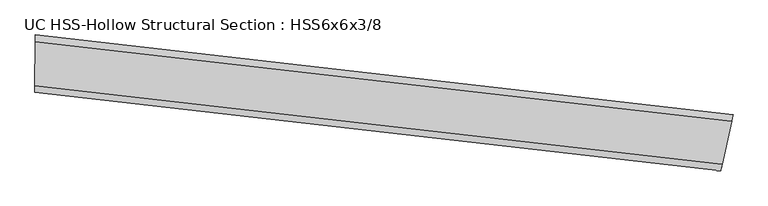
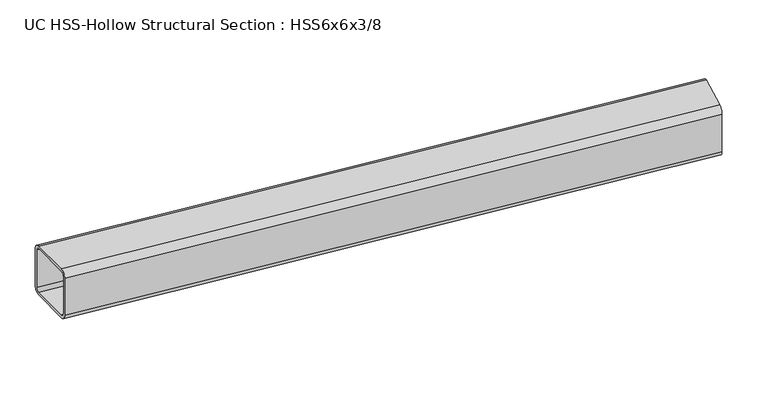
"""IFC4 building model written with IfcOpenShell, lengths in millimetres: beam geometry, UC HSS-Hollow Structural Section : HSS6x6x3/8."""

import ifcopenshell
import ifcopenshell.guid

model = None  # the IFC model being written
_history = None  # IfcOwnerHistory: only IFC2X3 demands one
_inside = {}  # id of a spatial element -> (the spatial element, [elements in it])
_under = {}  # id of a project, library or spatial element -> (it, [spatial elements below it])
_declared = {}  # id of a project -> (the project, [libraries it declares])
_typed = {}  # id of a type object -> (the type object, [elements of that type])
_made_of = {}  # id of a material, layer set ... -> (it, [elements and type objects made of it])


def new_model(schema):
    """Start an empty IFC model of exactly this schema.

    Asked for "IFC4X3", IfcOpenShell would pick the latest addendum, in which some entities
    have other attributes; the version numbers below select the first issue.
    IFC2X3 requires an IfcOwnerHistory on every rooted entity: one is made here for all.
    """
    global model, _history
    if schema == "IFC4X3":
        model = ifcopenshell.file(schema_version=(4, 3, 0, 0))
    else:
        model = ifcopenshell.file(schema=schema)
    _inside.clear()
    _under.clear()
    _declared.clear()
    _typed.clear()
    _made_of.clear()
    _history = None
    if model.schema == "IFC2X3":
        org = make("IfcOrganization", Name="unknown")
        user = make(
            "IfcPersonAndOrganization",
            ThePerson=make("IfcPerson", FamilyName="unknown"),
            TheOrganization=org,
        )
        app = make(
            "IfcApplication",
            ApplicationDeveloper=org,
            Version="unknown",
            ApplicationFullName="unknown",
            ApplicationIdentifier="unknown",
        )
        _history = make(
            "IfcOwnerHistory",
            OwningUser=user,
            OwningApplication=app,
            ChangeAction="ADDED",
            CreationDate=0,
        )
    return model


def make(cls, **values):
    """One entity of the class cls with the attributes given. An attribute that is None is left unset."""
    return model.create_entity(
        cls, **{name: value for name, value in values.items() if value is not None}
    )


def rooted(cls, **values):
    """An entity with a GlobalId (a new one), such as an element, a storey or a relation."""
    return make(cls, GlobalId=ifcopenshell.guid.new(), OwnerHistory=_history, **values)


def si_unit(unit_type, name, prefix=None):
    """IfcSIUnit, for example si_unit("LENGTHUNIT", "METRE", prefix="MILLI")."""
    return make("IfcSIUnit", UnitType=unit_type, Prefix=prefix, Name=name)


def assignment(units):
    """IfcUnitAssignment: the units of a project."""
    return None if units is None else make("IfcUnitAssignment", Units=units)


def point(xyz):
    """IfcCartesianPoint."""
    return None if xyz is None else make("IfcCartesianPoint", Coordinates=xyz)


def direction(xyz):
    """IfcDirection."""
    return None if xyz is None else make("IfcDirection", DirectionRatios=xyz)


def frame(location, z_axis=None, x_axis=None):
    """IfcAxis2Placement3D, a coordinate frame: its origin and axes. An axis left out is left unset."""
    return make(
        "IfcAxis2Placement3D",
        Location=point(location),
        Axis=direction(z_axis),
        RefDirection=direction(x_axis),
    )


def origin():
    """The frame at (0, 0, 0) with its axes left unset."""
    return frame((0.0, 0.0, 0.0))


def place(relative_to, where):
    """IfcLocalPlacement: puts the frame where relative to a parent placement (None: the world)."""
    return make(
        "IfcLocalPlacement", PlacementRelTo=relative_to, RelativePlacement=where
    )


def context(
    kind, dimensions, precision=None, world=None, true_north=None, identifier=None
):
    """IfcGeometricRepresentationContext, for example the 3D "Model" context."""
    return make(
        "IfcGeometricRepresentationContext",
        ContextIdentifier=identifier,
        ContextType=kind,
        CoordinateSpaceDimension=dimensions,
        Precision=precision,
        WorldCoordinateSystem=world,
        TrueNorth=true_north,
    )


def project(units=None, contexts=None):
    """IfcProject with its units and contexts."""
    return rooted(
        "IfcProject",
        Name="project",
        RepresentationContexts=contexts,
        UnitsInContext=assignment(units),
    )


def spatial(cls, under=None, at=None, **own):
    """A site, building, storey or space (cls), placed at a placement, below another one or the project."""
    s = rooted(cls, ObjectPlacement=at, **own)
    if under is not None:
        _under.setdefault(under.id(), (under, []))[1].append(s)
    return s


def polyline(points):
    """IfcPolyline through the points."""
    return make("IfcPolyline", Points=[point(p) for p in points])


def circle_curve(where, radius):
    """IfcCircle in the frame where."""
    return make("IfcCircle", Position=where, Radius=radius)


def ellipse_curve(where, semi_axis1, semi_axis2):
    """IfcEllipse in the frame where."""
    return make(
        "IfcEllipse", Position=where, SemiAxis1=semi_axis1, SemiAxis2=semi_axis2
    )


def trimmed(basis, trim1, trim2, sense, master):
    """IfcTrimmedCurve: the piece of a basis curve between two trims."""
    return make(
        "IfcTrimmedCurve",
        BasisCurve=basis,
        Trim1=trim1,
        Trim2=trim2,
        SenseAgreement=sense,
        MasterRepresentation=master,
    )


def shape(context_of_items, identifier, shape_type, items):
    """IfcShapeRepresentation: the items that make up one representation, for example the "Body"."""
    return make(
        "IfcShapeRepresentation",
        ContextOfItems=context_of_items,
        RepresentationIdentifier=identifier,
        RepresentationType=shape_type,
        Items=items,
    )


def source(mapping_origin, context_of_items, identifier, shape_type, items):
    """IfcRepresentationMap: a shape defined once, which mapped items show again and again."""
    return make(
        "IfcRepresentationMap",
        MappingOrigin=mapping_origin,
        MappedRepresentation=shape(context_of_items, identifier, shape_type, items),
    )


def transform(
    local_origin,
    x_axis=None,
    y_axis=None,
    z_axis=None,
    scale=None,
    scale2=None,
    scale3=None,
    uniform=True,
):
    """IfcCartesianTransformationOperator3D, or its non-uniform kind. x_axis, y_axis, z_axis: its Axis1, 2, 3."""
    if uniform:
        return make(
            "IfcCartesianTransformationOperator3D",
            Axis1=direction(x_axis),
            Axis2=direction(y_axis),
            LocalOrigin=point(local_origin),
            Scale=scale,
            Axis3=direction(z_axis),
        )
    return make(
        "IfcCartesianTransformationOperator3DnonUniform",
        Axis1=direction(x_axis),
        Axis2=direction(y_axis),
        LocalOrigin=point(local_origin),
        Scale=scale,
        Axis3=direction(z_axis),
        Scale2=scale2,
        Scale3=scale3,
    )


def mapped(mapping_source, mapping_target):
    """IfcMappedItem: shows the shape of a source again, moved by a transform."""
    return make(
        "IfcMappedItem", MappingSource=mapping_source, MappingTarget=mapping_target
    )


def made_of(thing, what):
    """Note that an element or type object is made of a material, layer set ...; save() writes the relation."""
    if what is not None:
        _made_of.setdefault(what.id(), (what, []))[1].append(thing)
    return thing


def element(
    cls,
    number,
    at=None,
    inside=None,
    cuts=None,
    type_object=None,
    material=None,
    context=None,
    identifier="Body",
    shape_type=None,
    held_by="IfcProductDefinitionShape",
    body=None,
    shapes=None,
    **own,
):
    """One element of the class cls, such as IfcWall. Its Tag is "e" and its number.

    at: its placement. inside: the storey or other place that contains it. cuts: it is an
    opening in that element (IfcRelVoidsElement). A single representation is given by context,
    identifier, shape_type and body (its items); several are given by shapes. held_by: the class
    of the entity that holds the representations. save() writes the other relations.
    """
    e = rooted(cls, Tag="e%d" % number, ObjectPlacement=at, **own)
    if body is not None:
        shapes = [shape(context, identifier, shape_type, body)]
    if shapes is not None:
        e.Representation = make(held_by, Representations=shapes)
    if inside is not None:
        _inside.setdefault(inside.id(), (inside, []))[1].append(e)
    if cuts is not None:
        rooted(
            "IfcRelVoidsElement", RelatingBuildingElement=cuts, RelatedOpeningElement=e
        )
    if type_object is not None:
        _typed.setdefault(type_object.id(), (type_object, []))[1].append(e)
    return made_of(e, material)


def aggregate(whole, parts):
    """IfcRelAggregates: a whole, such as a stair, and the parts it consists of."""
    return rooted("IfcRelAggregates", RelatingObject=whole, RelatedObjects=parts)


def save(model, path):
    """Write the relations noted so far, then the file.

    IfcRelAggregates (storeys below a building ...), IfcRelContainedInSpatialStructure (elements
    in a storey), IfcRelDefinesByType, IfcRelAssociatesMaterial and IfcRelDeclares: one each for
    every whole, place, type object, material and project.
    """
    for whole, parts in _under.values():
        aggregate(whole, parts)
    for where, things in _inside.values():
        rooted(
            "IfcRelContainedInSpatialStructure",
            RelatedElements=things,
            RelatingStructure=where,
        )
    for kind, things in _typed.values():
        rooted("IfcRelDefinesByType", RelatedObjects=things, RelatingType=kind)
    for what, things in _made_of.values():
        rooted("IfcRelAssociatesMaterial", RelatedObjects=things, RelatingMaterial=what)
    for by, libraries in _declared.values():
        rooted("IfcRelDeclares", RelatingContext=by, RelatedDefinitions=libraries)
    model.write(path)


def plane_surface(at):
    """IfcPlane: the flat surface through the origin of the frame at, square to its z axis."""
    return make("IfcPlane", Position=at)


def cylinder_surface(at, radius):
    """IfcCylindricalSurface: all points at the distance radius from the z axis of the frame at."""
    return make("IfcCylindricalSurface", Position=at, Radius=radius)


def revolved_surface(curve, axis_point, axis_direction):
    """IfcSurfaceOfRevolution: the curve turned about the line through axis_point along axis_direction."""
    return make(
        "IfcSurfaceOfRevolution",
        SweptCurve=make("IfcArbitraryOpenProfileDef", ProfileType="CURVE", Curve=curve),
        AxisPosition=make("IfcAxis1Placement", Location=point(axis_point), Axis=direction(axis_direction)),
    )


def advanced_brep(points, edges, surfaces, faces):
    """IfcAdvancedBrep: a solid bounded by faces that lie on surfaces and meet in shared edges.

    An edge is (start, end): straight between two places in points (the first is 0);
    or (start, end, curve); or (start, end, curve, False) where it runs against its curve.
    A face is (place in surfaces, loops), or (place, loops, False) where it looks against
    its surface's normal. A loop lists edges by number (the first is 1), with a minus sign
    where the edge is run from its end to its start. The first loop is the outer one.
    """
    corners = [point(p) for p in points]
    vertices = [make("IfcVertexPoint", VertexGeometry=c) for c in corners]
    made = []
    for start, end, *more in edges:
        made.append(
            make(
                "IfcEdgeCurve",
                EdgeStart=vertices[start],
                EdgeEnd=vertices[end],
                EdgeGeometry=more[0] if more else make("IfcPolyline", Points=[corners[start], corners[end]]),
                SameSense=more[1] if len(more) > 1 else True,
            )
        )
    hull = []
    for where, loops, *sense in faces:
        bounds = []
        for j, loop in enumerate(loops):
            ring = [make("IfcOrientedEdge", EdgeElement=made[abs(k) - 1], Orientation=k > 0) for k in loop]
            bounds.append(
                make(
                    "IfcFaceOuterBound" if j == 0 else "IfcFaceBound",
                    Bound=make("IfcEdgeLoop", EdgeList=ring),
                    Orientation=True,
                )
            )
        hull.append(make("IfcAdvancedFace", Bounds=bounds, FaceSurface=surfaces[where], SameSense=sense[0] if sense else True))
    return make("IfcAdvancedBrep", Outer=make("IfcClosedShell", CfsFaces=hull))


def uc_hss_hollow_structural_section_hss6x6x3_8_1cab58ee(model_context):
    return source(origin(), model_context, "Body", "AdvancedBrep", [
        advanced_brep(
        [(1939.1861572, -136.2264813, 58.4708), (1935.3479554, -153.5352287, 76.2), (1910.0312199, -267.7035287, 76.2), (1906.1930181, -285.0122762, 58.4708), (1906.1930181, -285.0122762, -58.4708), (1910.0312199, -267.7035287, -76.2), (1935.3479554, -153.5352287, -76.2), (1939.1861572, -136.2264813, -58.4708), (1910.0312199, -267.7035287, 67.3354), (1935.3479554, -153.5352287, 67.3354), (1937.2670563, -144.880855, 58.4708), (1937.2670563, -144.880855, -58.4708), (1935.3479554, -153.5352287, -67.3354), (1910.0312199, -267.7035287, -67.3354), (1908.112119, -276.3579025, -58.4708), (1908.112119, -276.3579025, 58.4708), (87.3583279, 75.7740014, 58.4708), (87.3583279, 75.7740014, -58.4708), (87.1854209, 58.0456446, -76.2), (86.0449282, -58.8903938, -76.2), (85.8720212, -76.6187507, -58.4708), (85.8720212, -76.6187507, 58.4708), (86.0449282, -58.8903938, 76.2), (87.1854209, 58.0456446, 76.2), (86.0449282, -58.8903938, 67.3354), (85.9584747, -67.7545722, 58.4708), (85.9584747, -67.7545722, -58.4708), (86.0449282, -58.8903938, -67.3354), (87.1854209, 58.0456446, -67.3354), (87.2718744, 66.909823, -58.4708), (87.2718744, 66.909823, 58.4708), (87.1854209, 58.0456446, 67.3354)],
        [
            (0, 1, circle_curve(frame((1935.3479554, -153.5352287, 58.4708), z_axis=(0.9762847436208799, -0.2164904140443934, 0.0), x_axis=(-0.2164904140443934, -0.9762847436208799, 0.0)), 17.7292)),
            (1, 2),
            (2, 3, circle_curve(frame((1910.0312199, -267.7035287, 58.4708), z_axis=(0.9762847436208799, -0.2164904140443934, 0.0), x_axis=(-0.2164904140443934, -0.9762847436208799, 0.0)), 17.7292)),
            (3, 4),
            (4, 5, circle_curve(frame((1910.0312199, -267.7035287, -58.4708), z_axis=(0.9762847436208799, -0.2164904140443934, 0.0), x_axis=(-0.2164904140443934, -0.9762847436208799, 0.0)), 17.7292)),
            (5, 6),
            (6, 7, circle_curve(frame((1935.3479554, -153.5352287, -58.4708), z_axis=(0.9762847436208799, -0.2164904140443934, 0.0), x_axis=(-0.2164904140443934, -0.9762847436208799, 0.0)), 17.7292)),
            (7, 0),
            (8, 9),
            (9, 10, circle_curve(frame((1935.3479554, -153.5352287, 58.4708), z_axis=(-0.9762847436208799, 0.2164904140443934, 0.0), x_axis=(-0.2164904140443934, -0.9762847436208799, 0.0)), 8.8646)),
            (10, 11),
            (11, 12, circle_curve(frame((1935.3479554, -153.5352287, -58.4708), z_axis=(-0.9762847436208799, 0.2164904140443934, 0.0), x_axis=(-0.2164904140443934, -0.9762847436208799, 0.0)), 8.8646)),
            (12, 13),
            (13, 14, circle_curve(frame((1910.0312199, -267.7035287, -58.4708), z_axis=(-0.9762847436208799, 0.2164904140443934, 0.0), x_axis=(-0.2164904140443934, -0.9762847436208799, 0.0)), 8.8646)),
            (14, 15),
            (15, 8, circle_curve(frame((1910.0312199, -267.7035287, 58.4708), z_axis=(-0.9762847436208799, 0.2164904140443934, 0.0), x_axis=(-0.2164904140443934, -0.9762847436208799, 0.0)), 8.8646)),
            (16, 17),
            (17, 18, circle_curve(frame((87.1854209, 58.0456446, -58.4708), z_axis=(-0.999952441593472, 0.00975266892978699, 0.0), x_axis=(-0.00975266892978699, -0.999952441593472, 0.0)), 17.7292)),
            (18, 19),
            (19, 20, circle_curve(frame((86.0449282, -58.8903938, -58.4708), z_axis=(-0.999952441593472, 0.00975266892978699, 0.0), x_axis=(-0.00975266892978699, -0.999952441593472, 0.0)), 17.7292)),
            (20, 21),
            (21, 22, circle_curve(frame((86.0449282, -58.8903938, 58.4708), z_axis=(-0.999952441593472, 0.00975266892978699, 0.0), x_axis=(-0.00975266892978699, -0.999952441593472, 0.0)), 17.7292)),
            (22, 23),
            (23, 16, circle_curve(frame((87.1854209, 58.0456446, 58.4708), z_axis=(-0.999952441593472, 0.00975266892978699, 0.0), x_axis=(-0.00975266892978699, -0.999952441593472, 0.0)), 17.7292)),
            (24, 25, circle_curve(frame((86.0449282, -58.8903938, 58.4708), z_axis=(0.999952441593472, -0.00975266892978699, 0.0), x_axis=(-0.00975266892978699, -0.999952441593472, 0.0)), 8.8646)),
            (25, 26),
            (26, 27, circle_curve(frame((86.0449282, -58.8903938, -58.4708), z_axis=(0.999952441593472, -0.00975266892978699, 0.0), x_axis=(-0.00975266892978699, -0.999952441593472, 0.0)), 8.8646)),
            (27, 28),
            (28, 29, circle_curve(frame((87.1854209, 58.0456446, -58.4708), z_axis=(0.999952441593472, -0.00975266892978699, 0.0), x_axis=(-0.00975266892978699, -0.999952441593472, 0.0)), 8.8646)),
            (29, 30),
            (30, 31, circle_curve(frame((87.1854209, 58.0456446, 58.4708), z_axis=(0.999952441593472, -0.00975266892978699, 0.0), x_axis=(-0.00975266892978699, -0.999952441593472, 0.0)), 8.8646)),
            (31, 24),
            (0, 16, circle_curve(frame((0.0, -8881.176546, 58.4708), z_axis=(0.0, 0.0, 1.0), x_axis=(-0.6913930968107146, -0.7224787787073679, 0.0)), 8957.376546)),
            (23, 1, circle_curve(frame((0.0, -8881.176546, 76.2), z_axis=(0.0, 0.0, -1.0), x_axis=(-0.6913930968107146, -0.7224787787073679, 0.0)), 8939.647346)),
            (22, 2, circle_curve(frame((0.0, -8881.176546, 76.2), z_axis=(0.0, 0.0, -1.0), x_axis=(-0.6913930968107146, -0.7224787787073679, 0.0)), 8822.705746)),
            (21, 3, circle_curve(frame((0.0, -8881.176546, 58.4708), z_axis=(0.0, 0.0, -1.0), x_axis=(-0.6913930968107146, -0.7224787787073679, 0.0)), 8804.976546)),
            (20, 4, circle_curve(frame((0.0, -8881.176546, -58.4708), z_axis=(0.0, 0.0, -1.0), x_axis=(-0.6913930968107146, -0.7224787787073679, 0.0)), 8804.976546)),
            (19, 5, circle_curve(frame((0.0, -8881.176546, -76.2), z_axis=(0.0, 0.0, -1.0), x_axis=(-0.6913930968107146, -0.7224787787073679, 0.0)), 8822.705746)),
            (18, 6, circle_curve(frame((0.0, -8881.176546, -76.2), z_axis=(0.0, 0.0, -1.0), x_axis=(-0.6913930968107146, -0.7224787787073679, 0.0)), 8939.647346)),
            (17, 7, circle_curve(frame((0.0, -8881.176546, -58.4708), z_axis=(0.0, 0.0, -1.0), x_axis=(-0.6913930968107146, -0.7224787787073679, 0.0)), 8957.376546)),
            (8, 24, circle_curve(frame((0.0, -8881.176546, 67.3354), z_axis=(0.0, 0.0, 1.0), x_axis=(-0.6913930968107146, -0.7224787787073679, 0.0)), 8822.705746)),
            (31, 9, circle_curve(frame((0.0, -8881.176546, 67.3354), z_axis=(0.0, 0.0, -1.0), x_axis=(-0.6913930968107146, -0.7224787787073679, 0.0)), 8939.647346)),
            (30, 10, circle_curve(frame((0.0, -8881.176546, 58.4708), z_axis=(0.0, 0.0, -1.0), x_axis=(-0.6913930968107146, -0.7224787787073679, 0.0)), 8948.511946)),
            (29, 11, circle_curve(frame((0.0, -8881.176546, -58.4708), z_axis=(0.0, 0.0, -1.0), x_axis=(-0.6913930968107146, -0.7224787787073679, 0.0)), 8948.511946)),
            (28, 12, circle_curve(frame((0.0, -8881.176546, -67.3354), z_axis=(0.0, 0.0, -1.0), x_axis=(-0.6913930968107146, -0.7224787787073679, 0.0)), 8939.647346)),
            (27, 13, circle_curve(frame((0.0, -8881.176546, -67.3354), z_axis=(0.0, 0.0, -1.0), x_axis=(-0.6913930968107146, -0.7224787787073679, 0.0)), 8822.705746)),
            (26, 14, circle_curve(frame((0.0, -8881.176546, -58.4708), z_axis=(0.0, 0.0, -1.0), x_axis=(-0.6913930968107146, -0.7224787787073679, 0.0)), 8813.841146)),
            (25, 15, circle_curve(frame((0.0, -8881.176546, 58.4708), z_axis=(0.0, 0.0, -1.0), x_axis=(-0.6913930968107146, -0.7224787787073679, 0.0)), 8813.841146)),
        ],
        [
            plane_surface(frame((1922.6895876, -210.6193787, 0.0), z_axis=(0.9762847436208785, -0.21649041404439975, 0.0), x_axis=(0.0, 0.0, 1.0))),
            plane_surface(frame((86.6151746, -0.4223746, 0.0), z_axis=(-0.999952441593472, 0.009752668929793375, 0.0), x_axis=(0.0, 0.0, 1.0))),
            revolved_surface(trimmed(ellipse_curve(frame((-6180.810463, -15339.8820427, 58.4708), z_axis=(0.7224787787073723, -0.6913930968107099, 0.0), x_axis=(0.6913930968107099, 0.7224787787073723, 0.0)), 17.7292, 17.7292), [point((-6180.810463, -15339.8820427, 76.2))], [point((-6193.0683095, -15352.6910134, 58.4708))], True, "CARTESIAN"), (0.0, -8881.176546, 0.0), (0.0, 0.0, -1.0)),
            plane_surface(frame((0.0, -8881.176546, 76.2), z_axis=(0.0, 0.0, 1.0), x_axis=(-0.6913930968107146, -0.7224787787073679, 0.0))),
            revolved_surface(trimmed(ellipse_curve(frame((-6099.957848, -15255.3942183, 58.4708), z_axis=(0.7224787787073723, -0.6913930968107099, 0.0), x_axis=(0.6913930968107099, 0.7224787787073723, 0.0)), 17.7292, 17.7292), [point((-6087.7000015, -15242.5852475, 58.4708))], [point((-6099.957848, -15255.3942183, 76.2))], True, "CARTESIAN"), (0.0, -8881.176546, 0.0), (0.0, 0.0, -1.0)),
            revolved_surface(polyline([(-6087.700001484649, -15242.585247501098, -58.4708), (-6087.700001484649, -15242.585247501098, 58.4708)]), (0.0, -8881.176546, 0.0), (0.0, 0.0, -1.0)),
            revolved_surface(trimmed(ellipse_curve(frame((-6099.957848, -15255.3942183, -58.4708), z_axis=(0.7224787787073723, -0.6913930968107099, 0.0), x_axis=(0.6913930968107099, 0.7224787787073723, 0.0)), 17.7292, 17.7292), [point((-6099.957848, -15255.3942183, -76.2))], [point((-6087.7000015, -15242.5852475, -58.4708))], True, "CARTESIAN"), (0.0, -8881.176546, 0.0), (0.0, 0.0, -1.0)),
            plane_surface(frame((0.0, -8881.176546, -76.2), z_axis=(0.0, 0.0, -1.0), x_axis=(-0.6913930968107146, -0.7224787787073679, 0.0))),
            revolved_surface(trimmed(ellipse_curve(frame((-6180.810463, -15339.8820427, -58.4708), z_axis=(0.7224787787073723, -0.6913930968107099, 0.0), x_axis=(0.6913930968107099, 0.7224787787073723, 0.0)), 17.7292, 17.7292), [point((-6193.0683095, -15352.6910134, -58.4708))], [point((-6180.810463, -15339.8820427, -76.2))], True, "CARTESIAN"), (0.0, -8881.176546, 0.0), (0.0, 0.0, -1.0)),
            cylinder_surface(frame((0.0, -8881.176546, 0.0), z_axis=(0.0, 0.0, -1.0), x_axis=(-0.6913930968107146, -0.7224787787073679, 0.0)), 8957.376546),
            plane_surface(frame((0.0, -8881.176546, 67.3354), z_axis=(0.0, 0.0, -1.0), x_axis=(-0.6913930968107146, -0.7224787787073679, 0.0))),
            revolved_surface(trimmed(ellipse_curve(frame((-6180.810463, -15339.8820427, 58.4708), z_axis=(-0.7224787787073723, 0.6913930968107099, 0.0), x_axis=(0.6913930968107099, 0.7224787787073723, 0.0)), 8.8646, 8.8646), [point((-6186.9393862, -15346.286528, 58.4708))], [point((-6180.810463, -15339.8820427, 67.3354))], True, "CARTESIAN"), (0.0, -8881.176546, 0.0), (0.0, 0.0, -1.0)),
            revolved_surface(polyline([(-6186.939386192615, -15346.286527994373, -58.4708), (-6186.939386192615, -15346.286527994373, 58.4708)]), (0.0, -8881.176546, 0.0), (0.0, 0.0, -1.0)),
            revolved_surface(trimmed(ellipse_curve(frame((-6180.810463, -15339.8820427, -58.4708), z_axis=(-0.7224787787073723, 0.6913930968107099, 0.0), x_axis=(0.6913930968107099, 0.7224787787073723, 0.0)), 8.8646, 8.8646), [point((-6180.810463, -15339.8820427, -67.3354))], [point((-6186.9393862, -15346.286528, -58.4708))], True, "CARTESIAN"), (0.0, -8881.176546, 0.0), (0.0, 0.0, -1.0)),
            plane_surface(frame((0.0, -8881.176546, -67.3354), z_axis=(0.0, 0.0, 1.0), x_axis=(-0.6913930968107146, -0.7224787787073679, 0.0))),
            revolved_surface(trimmed(ellipse_curve(frame((-6099.957848, -15255.3942183, -58.4708), z_axis=(-0.7224787787073723, 0.6913930968107099, 0.0), x_axis=(0.6913930968107099, 0.7224787787073723, 0.0)), 8.8646, 8.8646), [point((-6093.8289247, -15248.9897329, -58.4708))], [point((-6099.957848, -15255.3942183, -67.3354))], True, "CARTESIAN"), (0.0, -8881.176546, 0.0), (0.0, 0.0, -1.0)),
            cylinder_surface(frame((0.0, -8881.176546, 0.0), z_axis=(0.0, 0.0, -1.0), x_axis=(-0.6913930968107146, -0.7224787787073679, 0.0)), 8813.841146),
            revolved_surface(trimmed(ellipse_curve(frame((-6099.957848, -15255.3942183, 58.4708), z_axis=(-0.7224787787073723, 0.6913930968107099, 0.0), x_axis=(0.6913930968107099, 0.7224787787073723, 0.0)), 8.8646, 8.8646), [point((-6099.957848, -15255.3942183, 67.3354))], [point((-6093.8289247, -15248.9897329, 58.4708))], True, "CARTESIAN"), (0.0, -8881.176546, 0.0), (0.0, 0.0, -1.0)),
        ],
        [
            (0, [[1, 2, 3, 4, 5, 6, 7, 8], [9, 10, 11, 12, 13, 14, 15, 16]]),
            (1, [[17, 18, 19, 20, 21, 22, 23, 24], [25, 26, 27, 28, 29, 30, 31, 32]]),
            (2, [[-1, 33, -24, 34]]),
            (3, [[-2, -34, -23, 35]]),
            (4, [[-3, -35, -22, 36]]),
            (5, [[-4, -36, -21, 37]]),
            (6, [[-5, -37, -20, 38]]),
            (7, [[-6, -38, -19, 39]]),
            (8, [[-7, -39, -18, 40]]),
            (9, [[-8, -40, -17, -33]]),
            (10, [[-9, 41, -32, 42]]),
            (11, [[-10, -42, -31, 43]]),
            (12, [[-11, -43, -30, 44]]),
            (13, [[-12, -44, -29, 45]]),
            (14, [[-13, -45, -28, 46]]),
            (15, [[-14, -46, -27, 47]]),
            (16, [[-15, -47, -26, 48]]),
            (17, [[-16, -48, -25, -41]]),
        ],
    ),
    ])


if __name__ == "__main__":
    model = new_model("IFC4")
    model_context = context("Model", 3, world=origin())
    ifc_project = project(units=[si_unit("LENGTHUNIT", "METRE", prefix="MILLI")], contexts=[model_context])
    site = spatial("IfcSite", under=ifc_project)
    building = spatial("IfcBuilding", under=site)
    placement = place(None, origin())
    uc_hss_hollow_structural_section_hss6x6x3_8_shape = uc_hss_hollow_structural_section_hss6x6x3_8_1cab58ee(model_context)
    element("IfcBeam", 1, ObjectType="UC HSS-Hollow Structural Section : HSS6x6x3/8", at=placement, inside=building, context=model_context, shape_type="MappedRepresentation", body=[
        mapped(uc_hss_hollow_structural_section_hss6x6x3_8_shape, transform((0.0, 0.0, 0.0), x_axis=(1.0, 0.0, 0.0), y_axis=(0.0, 1.0, 0.0), z_axis=(0.0, 0.0, 1.0))),
    ])
    save(model, "model.ifc")
